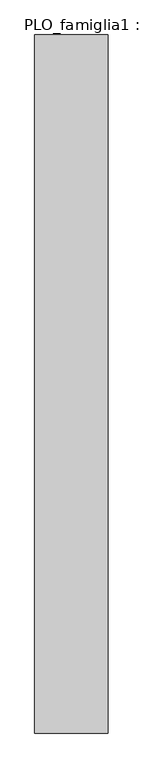
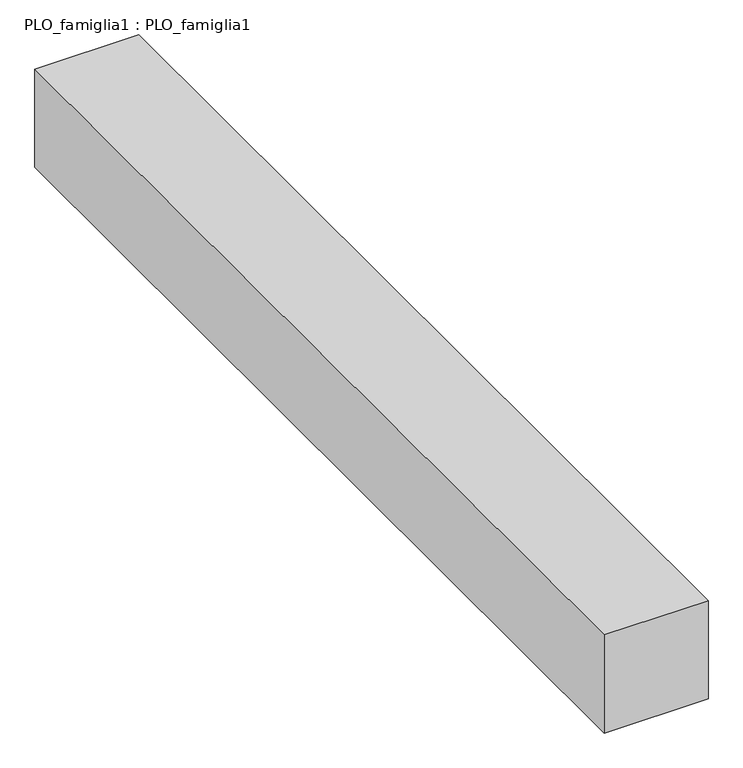
"""IFC4 building model written with IfcOpenShell, lengths in millimetres: proxy geometry, PLO_famiglia1 : PLO_famiglia1."""

import ifcopenshell
import ifcopenshell.guid

model = None  # the IFC model being written
_history = None  # IfcOwnerHistory: only IFC2X3 demands one
_inside = {}  # id of a spatial element -> (the spatial element, [elements in it])
_under = {}  # id of a project, library or spatial element -> (it, [spatial elements below it])
_declared = {}  # id of a project -> (the project, [libraries it declares])
_typed = {}  # id of a type object -> (the type object, [elements of that type])
_made_of = {}  # id of a material, layer set ... -> (it, [elements and type objects made of it])


def new_model(schema):
    """Start an empty IFC model of exactly this schema.

    Asked for "IFC4X3", IfcOpenShell would pick the latest addendum, in which some entities
    have other attributes; the version numbers below select the first issue.
    IFC2X3 requires an IfcOwnerHistory on every rooted entity: one is made here for all.
    """
    global model, _history
    if schema == "IFC4X3":
        model = ifcopenshell.file(schema_version=(4, 3, 0, 0))
    else:
        model = ifcopenshell.file(schema=schema)
    _inside.clear()
    _under.clear()
    _declared.clear()
    _typed.clear()
    _made_of.clear()
    _history = None
    if model.schema == "IFC2X3":
        org = make("IfcOrganization", Name="unknown")
        user = make(
            "IfcPersonAndOrganization",
            ThePerson=make("IfcPerson", FamilyName="unknown"),
            TheOrganization=org,
        )
        app = make(
            "IfcApplication",
            ApplicationDeveloper=org,
            Version="unknown",
            ApplicationFullName="unknown",
            ApplicationIdentifier="unknown",
        )
        _history = make(
            "IfcOwnerHistory",
            OwningUser=user,
            OwningApplication=app,
            ChangeAction="ADDED",
            CreationDate=0,
        )
    return model


def make(cls, **values):
    """One entity of the class cls with the attributes given. An attribute that is None is left unset."""
    return model.create_entity(
        cls, **{name: value for name, value in values.items() if value is not None}
    )


def rooted(cls, **values):
    """An entity with a GlobalId (a new one), such as an element, a storey or a relation."""
    return make(cls, GlobalId=ifcopenshell.guid.new(), OwnerHistory=_history, **values)


def si_unit(unit_type, name, prefix=None):
    """IfcSIUnit, for example si_unit("LENGTHUNIT", "METRE", prefix="MILLI")."""
    return make("IfcSIUnit", UnitType=unit_type, Prefix=prefix, Name=name)


def assignment(units):
    """IfcUnitAssignment: the units of a project."""
    return None if units is None else make("IfcUnitAssignment", Units=units)


def point(xyz):
    """IfcCartesianPoint."""
    return None if xyz is None else make("IfcCartesianPoint", Coordinates=xyz)


def direction(xyz):
    """IfcDirection."""
    return None if xyz is None else make("IfcDirection", DirectionRatios=xyz)


def frame(location, z_axis=None, x_axis=None):
    """IfcAxis2Placement3D, a coordinate frame: its origin and axes. An axis left out is left unset."""
    return make(
        "IfcAxis2Placement3D",
        Location=point(location),
        Axis=direction(z_axis),
        RefDirection=direction(x_axis),
    )


def origin():
    """The frame at (0, 0, 0) with its axes left unset."""
    return frame((0.0, 0.0, 0.0))


def origin_with_axes():
    """The frame at (0, 0, 0) with the z axis (0, 0, 1) and the x axis (1, 0, 0) written out."""
    return frame((0.0, 0.0, 0.0), z_axis=(0.0, 0.0, 1.0), x_axis=(1.0, 0.0, 0.0))


def place(relative_to, where):
    """IfcLocalPlacement: puts the frame where relative to a parent placement (None: the world)."""
    return make(
        "IfcLocalPlacement", PlacementRelTo=relative_to, RelativePlacement=where
    )


def context(
    kind, dimensions, precision=None, world=None, true_north=None, identifier=None
):
    """IfcGeometricRepresentationContext, for example the 3D "Model" context."""
    return make(
        "IfcGeometricRepresentationContext",
        ContextIdentifier=identifier,
        ContextType=kind,
        CoordinateSpaceDimension=dimensions,
        Precision=precision,
        WorldCoordinateSystem=world,
        TrueNorth=true_north,
    )


def project(units=None, contexts=None):
    """IfcProject with its units and contexts."""
    return rooted(
        "IfcProject",
        Name="project",
        RepresentationContexts=contexts,
        UnitsInContext=assignment(units),
    )


def spatial(cls, under=None, at=None, **own):
    """A site, building, storey or space (cls), placed at a placement, below another one or the project."""
    s = rooted(cls, ObjectPlacement=at, **own)
    if under is not None:
        _under.setdefault(under.id(), (under, []))[1].append(s)
    return s


def polyline(points):
    """IfcPolyline through the points."""
    return make("IfcPolyline", Points=[point(p) for p in points])


def outline(outer, holes=None, kind="AREA"):
    """IfcArbitraryClosedProfileDef: a profile drawn as a closed curve; with holes, ...WithVoids."""
    if holes is None:
        return make("IfcArbitraryClosedProfileDef", ProfileType=kind, OuterCurve=outer)
    return make(
        "IfcArbitraryProfileDefWithVoids",
        ProfileType=kind,
        OuterCurve=outer,
        InnerCurves=holes,
    )


def extrude(swept, where, along, depth):
    """IfcExtrudedAreaSolid: the profile swept, set in the frame where, extruded along a direction by depth."""
    return make(
        "IfcExtrudedAreaSolid",
        SweptArea=swept,
        Position=where,
        ExtrudedDirection=direction(along),
        Depth=depth,
    )


def shape(context_of_items, identifier, shape_type, items):
    """IfcShapeRepresentation: the items that make up one representation, for example the "Body"."""
    return make(
        "IfcShapeRepresentation",
        ContextOfItems=context_of_items,
        RepresentationIdentifier=identifier,
        RepresentationType=shape_type,
        Items=items,
    )


def source(mapping_origin, context_of_items, identifier, shape_type, items):
    """IfcRepresentationMap: a shape defined once, which mapped items show again and again."""
    return make(
        "IfcRepresentationMap",
        MappingOrigin=mapping_origin,
        MappedRepresentation=shape(context_of_items, identifier, shape_type, items),
    )


def transform(
    local_origin,
    x_axis=None,
    y_axis=None,
    z_axis=None,
    scale=None,
    scale2=None,
    scale3=None,
    uniform=True,
):
    """IfcCartesianTransformationOperator3D, or its non-uniform kind. x_axis, y_axis, z_axis: its Axis1, 2, 3."""
    if uniform:
        return make(
            "IfcCartesianTransformationOperator3D",
            Axis1=direction(x_axis),
            Axis2=direction(y_axis),
            LocalOrigin=point(local_origin),
            Scale=scale,
            Axis3=direction(z_axis),
        )
    return make(
        "IfcCartesianTransformationOperator3DnonUniform",
        Axis1=direction(x_axis),
        Axis2=direction(y_axis),
        LocalOrigin=point(local_origin),
        Scale=scale,
        Axis3=direction(z_axis),
        Scale2=scale2,
        Scale3=scale3,
    )


def mapped(mapping_source, mapping_target):
    """IfcMappedItem: shows the shape of a source again, moved by a transform."""
    return make(
        "IfcMappedItem", MappingSource=mapping_source, MappingTarget=mapping_target
    )


def made_of(thing, what):
    """Note that an element or type object is made of a material, layer set ...; save() writes the relation."""
    if what is not None:
        _made_of.setdefault(what.id(), (what, []))[1].append(thing)
    return thing


def element(
    cls,
    number,
    at=None,
    inside=None,
    cuts=None,
    type_object=None,
    material=None,
    context=None,
    identifier="Body",
    shape_type=None,
    held_by="IfcProductDefinitionShape",
    body=None,
    shapes=None,
    **own,
):
    """One element of the class cls, such as IfcWall. Its Tag is "e" and its number.

    at: its placement. inside: the storey or other place that contains it. cuts: it is an
    opening in that element (IfcRelVoidsElement). A single representation is given by context,
    identifier, shape_type and body (its items); several are given by shapes. held_by: the class
    of the entity that holds the representations. save() writes the other relations.
    """
    e = rooted(cls, Tag="e%d" % number, ObjectPlacement=at, **own)
    if body is not None:
        shapes = [shape(context, identifier, shape_type, body)]
    if shapes is not None:
        e.Representation = make(held_by, Representations=shapes)
    if inside is not None:
        _inside.setdefault(inside.id(), (inside, []))[1].append(e)
    if cuts is not None:
        rooted(
            "IfcRelVoidsElement", RelatingBuildingElement=cuts, RelatedOpeningElement=e
        )
    if type_object is not None:
        _typed.setdefault(type_object.id(), (type_object, []))[1].append(e)
    return made_of(e, material)


def aggregate(whole, parts):
    """IfcRelAggregates: a whole, such as a stair, and the parts it consists of."""
    return rooted("IfcRelAggregates", RelatingObject=whole, RelatedObjects=parts)


def save(model, path):
    """Write the relations noted so far, then the file.

    IfcRelAggregates (storeys below a building ...), IfcRelContainedInSpatialStructure (elements
    in a storey), IfcRelDefinesByType, IfcRelAssociatesMaterial and IfcRelDeclares: one each for
    every whole, place, type object, material and project.
    """
    for whole, parts in _under.values():
        aggregate(whole, parts)
    for where, things in _inside.values():
        rooted(
            "IfcRelContainedInSpatialStructure",
            RelatedElements=things,
            RelatingStructure=where,
        )
    for kind, things in _typed.values():
        rooted("IfcRelDefinesByType", RelatedObjects=things, RelatingType=kind)
    for what, things in _made_of.values():
        rooted("IfcRelAssociatesMaterial", RelatedObjects=things, RelatingMaterial=what)
    for by, libraries in _declared.values():
        rooted("IfcRelDeclares", RelatingContext=by, RelatedDefinitions=libraries)
    model.write(path)


def plo_famiglia1_plo_famiglia1_77ece1bb(model_context):
    return source(origin(), model_context, "Body", "SweptSolid", [
        extrude(outline(polyline([(6000.0, 0.0), (6000.0, -57000.0), (0.0, -57000.0), (0.0, 0.0), (6000.0, 0.0)])), origin_with_axes(), (0.0, 0.0, 1.0), 6000.0),
    ])


if __name__ == "__main__":
    model = new_model("IFC4")
    model_context = context("Model", 3, world=origin())
    ifc_project = project(units=[si_unit("LENGTHUNIT", "METRE", prefix="MILLI")], contexts=[model_context])
    site = spatial("IfcSite", under=ifc_project)
    building = spatial("IfcBuilding", under=site)
    placement = place(None, origin())
    plo_famiglia1_plo_famiglia1_shape = plo_famiglia1_plo_famiglia1_77ece1bb(model_context)
    element("IfcBuildingElementProxy", 1, Name="PLO_famiglia1 : PLO_famiglia1", ObjectType="PLO_famiglia1 : PLO_famiglia1", at=placement, inside=building, context=model_context, shape_type="MappedRepresentation", body=[
        mapped(plo_famiglia1_plo_famiglia1_shape, transform((0.0, 0.0, 0.0), x_axis=(1.0, 0.0, 0.0), y_axis=(0.0, 1.0, 0.0), z_axis=(0.0, 0.0, 1.0))),
    ])
    save(model, "model.ifc")
